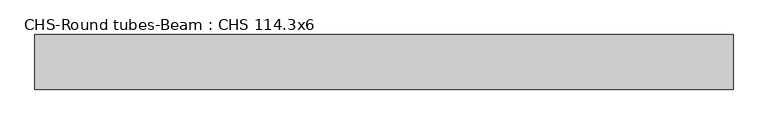
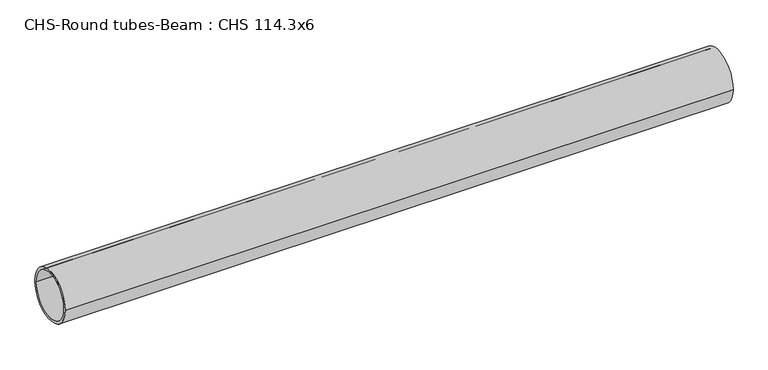
"""IFC4 building model written with IfcOpenShell, lengths in millimetres: beam geometry, CHS-Round tubes-Beam : CHS 114.3x6."""

from ifc_helpers import new_model, si_unit, point, frame, origin, origin_2d, place, context, project, spatial, circle_curve, trimmed, segment, composite_curve, outline, extrude, source, transform, mapped, element, save


def chs_round_tubes_beam_chs_114_3x6_8df608e6(model_context):
    return source(origin(), model_context, "Body", "SweptSolid", [
        extrude(outline(composite_curve([segment(trimmed(circle_curve(origin_2d(), 57.15), [point((57.15, 0.0))], [point((-57.15, 0.0))], False, "CARTESIAN"), True, "CONTINUOUS"), segment(trimmed(circle_curve(origin_2d(), 57.15), [point((-57.15, 0.0))], [point((57.15, 0.0))], False, "CARTESIAN"), True, "CONTINUOUS")], self_intersect=False), holes=[composite_curve([segment(trimmed(circle_curve(origin_2d(), 51.15), [point((51.15, 0.0))], [point((-51.15, 0.0))], True, "CARTESIAN"), True, "CONTINUOUS"), segment(trimmed(circle_curve(origin_2d(), 51.15), [point((-51.15, 0.0))], [point((51.15, 0.0))], True, "CARTESIAN"), True, "CONTINUOUS")], self_intersect=False)]), frame((-744.4543857, 0.0, 0.0), z_axis=(1.0, 0.0, 0.0), x_axis=(0.0, 1.0, 0.0)), (0.0, 0.0, 1.0), 1461.6815611),
    ])


if __name__ == "__main__":
    model = new_model("IFC4")
    model_context = context("Model", 3, world=origin())
    ifc_project = project(units=[si_unit("LENGTHUNIT", "METRE", prefix="MILLI")], contexts=[model_context])
    site = spatial("IfcSite", under=ifc_project)
    building = spatial("IfcBuilding", under=site)
    placement = place(None, origin())
    chs_round_tubes_beam_chs_114_3x6_shape = chs_round_tubes_beam_chs_114_3x6_8df608e6(model_context)
    element("IfcBeam", 1, ObjectType="CHS-Round tubes-Beam : CHS 114.3x6", at=placement, inside=building, context=model_context, shape_type="MappedRepresentation", body=[
        mapped(chs_round_tubes_beam_chs_114_3x6_shape, transform((0.0, 0.0, 0.0), x_axis=(1.0, 0.0, 0.0), y_axis=(0.0, 1.0, 0.0), z_axis=(0.0, 0.0, 1.0))),
    ])
    save(model, "model.ifc")
